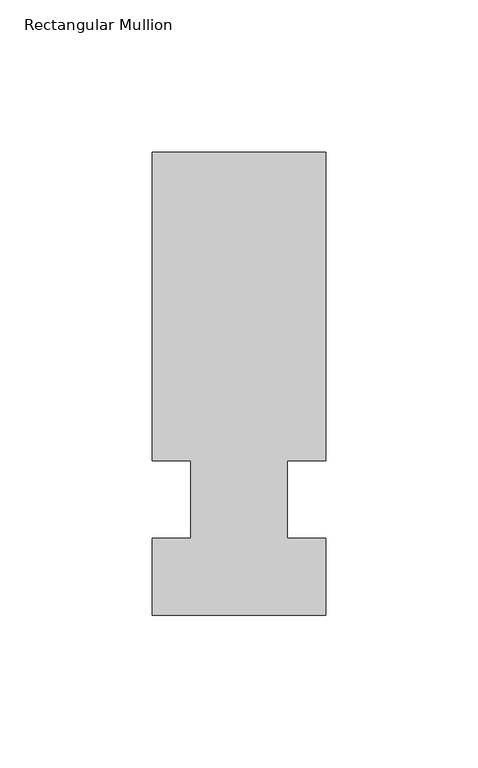
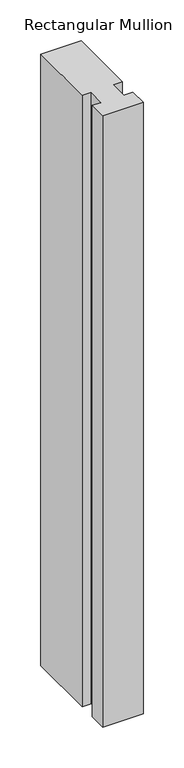
"""IFC4 building model written with IfcOpenShell, lengths in millimetres: member geometry, Rectangular Mullion."""

from ifc_helpers import new_model, si_unit, frame, origin, place, context, project, spatial, polyline, outline, extrude, source, transform, mapped, element, save


def rectangular_mullion_ec84e40f(model_context):
    return source(origin(), model_context, "Body", "SweptSolid", [
        extrude(outline(polyline([(32.9094027, 114.3), (32.9094027, 12.7), (20.2076322, 12.7), (20.2076322, -12.7), (32.9094027, -12.7), (32.9094027, -38.1), (-24.2405973, -38.1), (-24.2405973, -12.7), (-11.5405973, -12.7), (-11.5405973, 12.7), (-24.2405973, 12.7), (-24.2405973, 114.3), (32.9094027, 114.3)])), frame((0.0, 0.0, -916.4155973), z_axis=(0.0, 0.0, 1.0), x_axis=(1.0, 0.0, 0.0)), (0.0, 0.0, 1.0), 916.4155973),
    ])


if __name__ == "__main__":
    model = new_model("IFC4")
    model_context = context("Model", 3, world=origin())
    ifc_project = project(units=[si_unit("LENGTHUNIT", "METRE", prefix="MILLI")], contexts=[model_context])
    site = spatial("IfcSite", under=ifc_project)
    building = spatial("IfcBuilding", under=site)
    placement = place(None, origin())
    rectangular_mullion_shape = rectangular_mullion_ec84e40f(model_context)
    element("IfcMember", 1, ObjectType="Rectangular Mullion", at=placement, inside=building, context=model_context, shape_type="MappedRepresentation", body=[
        mapped(rectangular_mullion_shape, transform((0.0, 0.0, 0.0), x_axis=(1.0, 0.0, 0.0), y_axis=(0.0, 1.0, 0.0), z_axis=(0.0, 0.0, 1.0))),
    ])
    save(model, "model.ifc")
